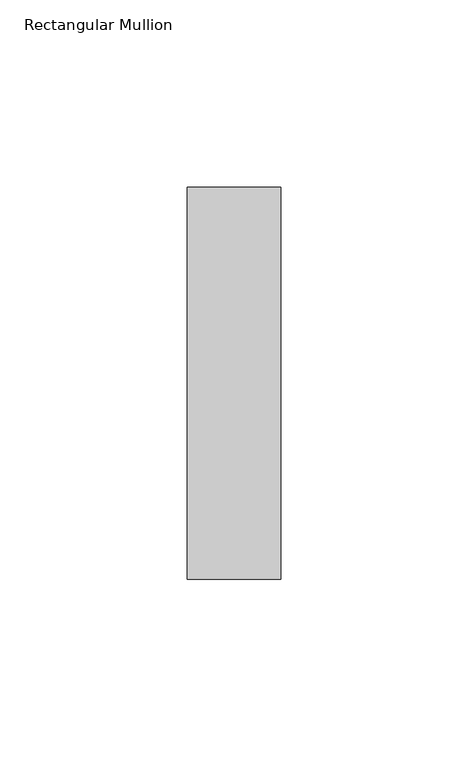
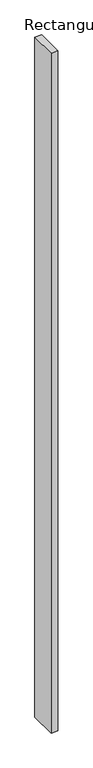
"""IFC4 building model written with IfcOpenShell, lengths in millimetres: member geometry, Rectangular Mullion."""

from ifc_helpers import new_model, si_unit, frame, origin, place, context, project, spatial, polyline, outline, extrude, source, transform, mapped, element, save


def rectangular_mullion_5ab6d6c3(model_context):
    return source(origin(), model_context, "Body", "SweptSolid", [
        extrude(outline(polyline([(0.0, -52.34375), (-25.0, -52.34375), (-25.0, 52.34375), (0.0, 52.34375), (0.0, -52.34375)])), frame((0.0, 0.0, -2700.0), z_axis=(0.0, 0.0, 1.0), x_axis=(1.0, 0.0, 0.0)), (0.0, 0.0, 1.0), 2700.0),
    ])


if __name__ == "__main__":
    model = new_model("IFC4")
    model_context = context("Model", 3, world=origin())
    ifc_project = project(units=[si_unit("LENGTHUNIT", "METRE", prefix="MILLI")], contexts=[model_context])
    site = spatial("IfcSite", under=ifc_project)
    building = spatial("IfcBuilding", under=site)
    placement = place(None, origin())
    rectangular_mullion_shape = rectangular_mullion_5ab6d6c3(model_context)
    element("IfcMember", 1, ObjectType="Rectangular Mullion", at=placement, inside=building, context=model_context, shape_type="MappedRepresentation", body=[
        mapped(rectangular_mullion_shape, transform((0.0, 0.0, 0.0), x_axis=(1.0, 0.0, 0.0), y_axis=(0.0, 1.0, 0.0), z_axis=(0.0, 0.0, 1.0))),
    ])
    save(model, "model.ifc")
